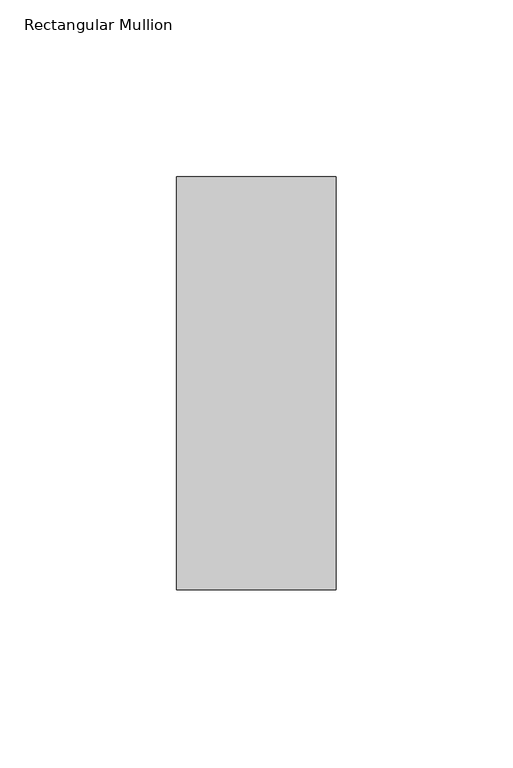
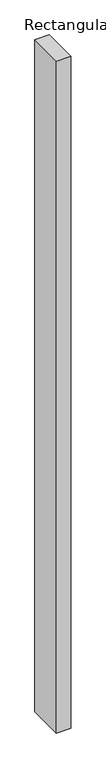
"""IFC4 building model written with IfcOpenShell, lengths in millimetres: member geometry, Rectangular Mullion."""

from ifc_helpers import new_model, si_unit, frame, origin, place, context, project, spatial, polyline, outline, extrude, source, transform, mapped, element, save


def rectangular_mullion_f1a17b27(model_context):
    return source(origin(), model_context, "Body", "SweptSolid", [
        extrude(outline(polyline([(0.0, 73.875), (0.0, -42.8257813), (-45.0453125, -42.8257813), (-45.0453125, 73.875), (0.0, 73.875)])), frame((0.0, 0.0, -2225.6663238), z_axis=(0.0, 0.0, 1.0), x_axis=(1.0, 0.0, 0.0)), (0.0, 0.0, 1.0), 2225.6663238),
    ])


if __name__ == "__main__":
    model = new_model("IFC4")
    model_context = context("Model", 3, world=origin())
    ifc_project = project(units=[si_unit("LENGTHUNIT", "METRE", prefix="MILLI")], contexts=[model_context])
    site = spatial("IfcSite", under=ifc_project)
    building = spatial("IfcBuilding", under=site)
    placement = place(None, origin())
    rectangular_mullion_shape = rectangular_mullion_f1a17b27(model_context)
    element("IfcMember", 1, ObjectType="Rectangular Mullion", at=placement, inside=building, context=model_context, shape_type="MappedRepresentation", body=[
        mapped(rectangular_mullion_shape, transform((0.0, 0.0, 0.0), x_axis=(1.0, 0.0, 0.0), y_axis=(0.0, 1.0, 0.0), z_axis=(0.0, 0.0, 1.0))),
    ])
    save(model, "model.ifc")
